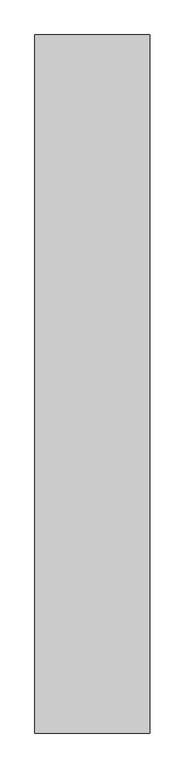
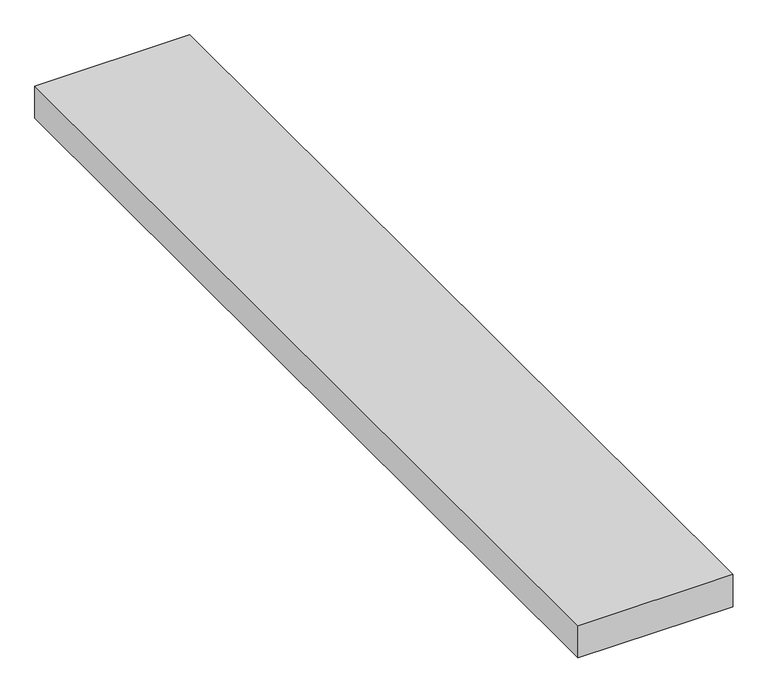
"""IFC4 building model written with IfcOpenShell, lengths in millimetres: proxy geometry."""

from ifc_helpers import new_model, si_unit, origin, origin_with_axes, place, context, project, spatial, polyline, outline, extrude, source, transform, mapped, element, save


def generic_models_c53f08d1(model_context):
    return source(origin(), model_context, "Body", "SweptSolid", [
        extrude(outline(polyline([(0.0, 7000.0), (0.0, 0.0), (-1150.0, 0.0), (-1150.0, 7000.0), (0.0, 7000.0)])), origin_with_axes(), (0.0, 0.0, 1.0), 253.3333333),
    ])


if __name__ == "__main__":
    model = new_model("IFC4")
    model_context = context("Model", 3, world=origin())
    ifc_project = project(units=[si_unit("LENGTHUNIT", "METRE", prefix="MILLI")], contexts=[model_context])
    site = spatial("IfcSite", under=ifc_project)
    building = spatial("IfcBuilding", under=site)
    placement = place(None, origin())
    generic_models_shape = generic_models_c53f08d1(model_context)
    element("IfcBuildingElementProxy", 1, Name="Generic Models", at=placement, inside=building, context=model_context, shape_type="MappedRepresentation", body=[
        mapped(generic_models_shape, transform((0.0, 0.0, 0.0), x_axis=(1.0, 0.0, 0.0), y_axis=(0.0, 1.0, 0.0), z_axis=(0.0, 0.0, 1.0))),
    ])
    save(model, "model.ifc")
